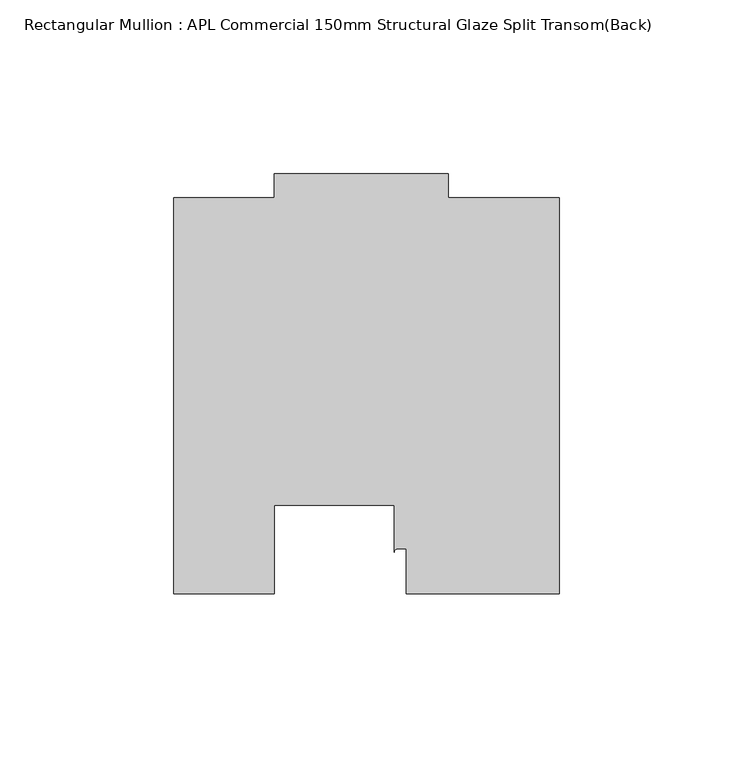
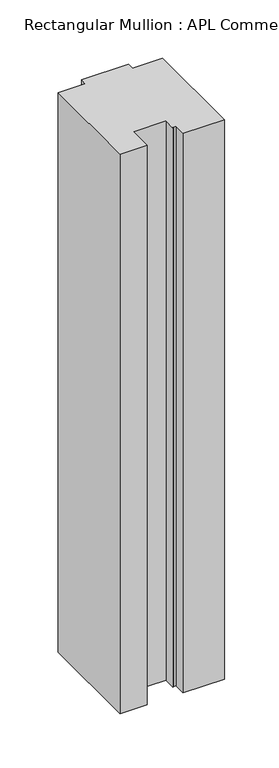
"""IFC4 building model written with IfcOpenShell, lengths in millimetres: member geometry, Rectangular Mullion : APL Commercial 150mm Structural Glaze Split Transom(Back)."""

import ifcopenshell
import ifcopenshell.guid

model = None  # the IFC model being written
_history = None  # IfcOwnerHistory: only IFC2X3 demands one
_inside = {}  # id of a spatial element -> (the spatial element, [elements in it])
_under = {}  # id of a project, library or spatial element -> (it, [spatial elements below it])
_declared = {}  # id of a project -> (the project, [libraries it declares])
_typed = {}  # id of a type object -> (the type object, [elements of that type])
_made_of = {}  # id of a material, layer set ... -> (it, [elements and type objects made of it])


def new_model(schema):
    """Start an empty IFC model of exactly this schema.

    Asked for "IFC4X3", IfcOpenShell would pick the latest addendum, in which some entities
    have other attributes; the version numbers below select the first issue.
    IFC2X3 requires an IfcOwnerHistory on every rooted entity: one is made here for all.
    """
    global model, _history
    if schema == "IFC4X3":
        model = ifcopenshell.file(schema_version=(4, 3, 0, 0))
    else:
        model = ifcopenshell.file(schema=schema)
    _inside.clear()
    _under.clear()
    _declared.clear()
    _typed.clear()
    _made_of.clear()
    _history = None
    if model.schema == "IFC2X3":
        org = make("IfcOrganization", Name="unknown")
        user = make(
            "IfcPersonAndOrganization",
            ThePerson=make("IfcPerson", FamilyName="unknown"),
            TheOrganization=org,
        )
        app = make(
            "IfcApplication",
            ApplicationDeveloper=org,
            Version="unknown",
            ApplicationFullName="unknown",
            ApplicationIdentifier="unknown",
        )
        _history = make(
            "IfcOwnerHistory",
            OwningUser=user,
            OwningApplication=app,
            ChangeAction="ADDED",
            CreationDate=0,
        )
    return model


def make(cls, **values):
    """One entity of the class cls with the attributes given. An attribute that is None is left unset."""
    return model.create_entity(
        cls, **{name: value for name, value in values.items() if value is not None}
    )


def rooted(cls, **values):
    """An entity with a GlobalId (a new one), such as an element, a storey or a relation."""
    return make(cls, GlobalId=ifcopenshell.guid.new(), OwnerHistory=_history, **values)


def si_unit(unit_type, name, prefix=None):
    """IfcSIUnit, for example si_unit("LENGTHUNIT", "METRE", prefix="MILLI")."""
    return make("IfcSIUnit", UnitType=unit_type, Prefix=prefix, Name=name)


def assignment(units):
    """IfcUnitAssignment: the units of a project."""
    return None if units is None else make("IfcUnitAssignment", Units=units)


def point(xyz):
    """IfcCartesianPoint."""
    return None if xyz is None else make("IfcCartesianPoint", Coordinates=xyz)


def direction(xyz):
    """IfcDirection."""
    return None if xyz is None else make("IfcDirection", DirectionRatios=xyz)


def frame(location, z_axis=None, x_axis=None):
    """IfcAxis2Placement3D, a coordinate frame: its origin and axes. An axis left out is left unset."""
    return make(
        "IfcAxis2Placement3D",
        Location=point(location),
        Axis=direction(z_axis),
        RefDirection=direction(x_axis),
    )


def frame_2d(location, x_axis=None):
    """IfcAxis2Placement2D, a coordinate frame in the plane: its origin and x axis."""
    return make(
        "IfcAxis2Placement2D", Location=point(location), RefDirection=direction(x_axis)
    )


def origin():
    """The frame at (0, 0, 0) with its axes left unset."""
    return frame((0.0, 0.0, 0.0))


def place(relative_to, where):
    """IfcLocalPlacement: puts the frame where relative to a parent placement (None: the world)."""
    return make(
        "IfcLocalPlacement", PlacementRelTo=relative_to, RelativePlacement=where
    )


def context(
    kind, dimensions, precision=None, world=None, true_north=None, identifier=None
):
    """IfcGeometricRepresentationContext, for example the 3D "Model" context."""
    return make(
        "IfcGeometricRepresentationContext",
        ContextIdentifier=identifier,
        ContextType=kind,
        CoordinateSpaceDimension=dimensions,
        Precision=precision,
        WorldCoordinateSystem=world,
        TrueNorth=true_north,
    )


def project(units=None, contexts=None):
    """IfcProject with its units and contexts."""
    return rooted(
        "IfcProject",
        Name="project",
        RepresentationContexts=contexts,
        UnitsInContext=assignment(units),
    )


def spatial(cls, under=None, at=None, **own):
    """A site, building, storey or space (cls), placed at a placement, below another one or the project."""
    s = rooted(cls, ObjectPlacement=at, **own)
    if under is not None:
        _under.setdefault(under.id(), (under, []))[1].append(s)
    return s


def polyline(points):
    """IfcPolyline through the points."""
    return make("IfcPolyline", Points=[point(p) for p in points])


def circle_curve(where, radius):
    """IfcCircle in the frame where."""
    return make("IfcCircle", Position=where, Radius=radius)


def trimmed(basis, trim1, trim2, sense, master):
    """IfcTrimmedCurve: the piece of a basis curve between two trims."""
    return make(
        "IfcTrimmedCurve",
        BasisCurve=basis,
        Trim1=trim1,
        Trim2=trim2,
        SenseAgreement=sense,
        MasterRepresentation=master,
    )


def segment(curve, same_sense, transition):
    """IfcCompositeCurveSegment."""
    return make(
        "IfcCompositeCurveSegment",
        Transition=transition,
        SameSense=same_sense,
        ParentCurve=curve,
    )


def composite_curve(segments, self_intersect=None):
    """IfcCompositeCurve: segments joined end to end."""
    return make("IfcCompositeCurve", Segments=segments, SelfIntersect=self_intersect)


def outline(outer, holes=None, kind="AREA"):
    """IfcArbitraryClosedProfileDef: a profile drawn as a closed curve; with holes, ...WithVoids."""
    if holes is None:
        return make("IfcArbitraryClosedProfileDef", ProfileType=kind, OuterCurve=outer)
    return make(
        "IfcArbitraryProfileDefWithVoids",
        ProfileType=kind,
        OuterCurve=outer,
        InnerCurves=holes,
    )


def extrude(swept, where, along, depth):
    """IfcExtrudedAreaSolid: the profile swept, set in the frame where, extruded along a direction by depth."""
    return make(
        "IfcExtrudedAreaSolid",
        SweptArea=swept,
        Position=where,
        ExtrudedDirection=direction(along),
        Depth=depth,
    )


def shape(context_of_items, identifier, shape_type, items):
    """IfcShapeRepresentation: the items that make up one representation, for example the "Body"."""
    return make(
        "IfcShapeRepresentation",
        ContextOfItems=context_of_items,
        RepresentationIdentifier=identifier,
        RepresentationType=shape_type,
        Items=items,
    )


def source(mapping_origin, context_of_items, identifier, shape_type, items):
    """IfcRepresentationMap: a shape defined once, which mapped items show again and again."""
    return make(
        "IfcRepresentationMap",
        MappingOrigin=mapping_origin,
        MappedRepresentation=shape(context_of_items, identifier, shape_type, items),
    )


def transform(
    local_origin,
    x_axis=None,
    y_axis=None,
    z_axis=None,
    scale=None,
    scale2=None,
    scale3=None,
    uniform=True,
):
    """IfcCartesianTransformationOperator3D, or its non-uniform kind. x_axis, y_axis, z_axis: its Axis1, 2, 3."""
    if uniform:
        return make(
            "IfcCartesianTransformationOperator3D",
            Axis1=direction(x_axis),
            Axis2=direction(y_axis),
            LocalOrigin=point(local_origin),
            Scale=scale,
            Axis3=direction(z_axis),
        )
    return make(
        "IfcCartesianTransformationOperator3DnonUniform",
        Axis1=direction(x_axis),
        Axis2=direction(y_axis),
        LocalOrigin=point(local_origin),
        Scale=scale,
        Axis3=direction(z_axis),
        Scale2=scale2,
        Scale3=scale3,
    )


def mapped(mapping_source, mapping_target):
    """IfcMappedItem: shows the shape of a source again, moved by a transform."""
    return make(
        "IfcMappedItem", MappingSource=mapping_source, MappingTarget=mapping_target
    )


def made_of(thing, what):
    """Note that an element or type object is made of a material, layer set ...; save() writes the relation."""
    if what is not None:
        _made_of.setdefault(what.id(), (what, []))[1].append(thing)
    return thing


def element(
    cls,
    number,
    at=None,
    inside=None,
    cuts=None,
    type_object=None,
    material=None,
    context=None,
    identifier="Body",
    shape_type=None,
    held_by="IfcProductDefinitionShape",
    body=None,
    shapes=None,
    **own,
):
    """One element of the class cls, such as IfcWall. Its Tag is "e" and its number.

    at: its placement. inside: the storey or other place that contains it. cuts: it is an
    opening in that element (IfcRelVoidsElement). A single representation is given by context,
    identifier, shape_type and body (its items); several are given by shapes. held_by: the class
    of the entity that holds the representations. save() writes the other relations.
    """
    e = rooted(cls, Tag="e%d" % number, ObjectPlacement=at, **own)
    if body is not None:
        shapes = [shape(context, identifier, shape_type, body)]
    if shapes is not None:
        e.Representation = make(held_by, Representations=shapes)
    if inside is not None:
        _inside.setdefault(inside.id(), (inside, []))[1].append(e)
    if cuts is not None:
        rooted(
            "IfcRelVoidsElement", RelatingBuildingElement=cuts, RelatedOpeningElement=e
        )
    if type_object is not None:
        _typed.setdefault(type_object.id(), (type_object, []))[1].append(e)
    return made_of(e, material)


def aggregate(whole, parts):
    """IfcRelAggregates: a whole, such as a stair, and the parts it consists of."""
    return rooted("IfcRelAggregates", RelatingObject=whole, RelatedObjects=parts)


def save(model, path):
    """Write the relations noted so far, then the file.

    IfcRelAggregates (storeys below a building ...), IfcRelContainedInSpatialStructure (elements
    in a storey), IfcRelDefinesByType, IfcRelAssociatesMaterial and IfcRelDeclares: one each for
    every whole, place, type object, material and project.
    """
    for whole, parts in _under.values():
        aggregate(whole, parts)
    for where, things in _inside.values():
        rooted(
            "IfcRelContainedInSpatialStructure",
            RelatedElements=things,
            RelatingStructure=where,
        )
    for kind, things in _typed.values():
        rooted("IfcRelDefinesByType", RelatedObjects=things, RelatingType=kind)
    for what, things in _made_of.values():
        rooted("IfcRelAssociatesMaterial", RelatedObjects=things, RelatingMaterial=what)
    for by, libraries in _declared.values():
        rooted("IfcRelDeclares", RelatingContext=by, RelatedDefinitions=libraries)
    model.write(path)


def rectangular_mullion_apl_commercial_150mm_structural_glaze_873e81cf(model_context):
    return source(origin(), model_context, "Body", "SweptSolid", [
        extrude(outline(composite_curve([segment(polyline([(54.0000029, 15.0004617), (10.0000029, 15.0004617), (10.0000029, 28.0002131), (7.5000029, 28.0002131)]), True, "CONTINUOUS"), segment(trimmed(circle_curve(frame_2d((7.5000029, 27.0002131)), 1.0), [point((7.5000029, 28.0002131))], [point((6.5000029, 27.0002131))], True, "CARTESIAN"), True, "CONTINUOUS"), segment(polyline([(6.5000029, 27.0002131), (6.5000029, 40.499932), (-28.0000482, 40.499932), (-28.0000482, 15.0001793), (-57.0000004, 15.0001793), (-57.0000004, 129.0002765), (-27.9971154, 129.0002765), (-27.9971154, 136.0003326), (22.0028846, 136.0003326), (22.0028846, 129.0003326), (54.0000029, 129.0003326), (54.0000029, 15.0004617)]), True, "CONTINUOUS")], self_intersect=False)), frame((0.0, 0.0, -628.0250341), z_axis=(0.0, 0.0, 1.0), x_axis=(1.0, 0.0, 0.0)), (0.0, 0.0, 1.0), 628.0250341),
    ])


if __name__ == "__main__":
    model = new_model("IFC4")
    model_context = context("Model", 3, world=origin())
    ifc_project = project(units=[si_unit("LENGTHUNIT", "METRE", prefix="MILLI")], contexts=[model_context])
    site = spatial("IfcSite", under=ifc_project)
    building = spatial("IfcBuilding", under=site)
    placement = place(None, origin())
    rectangular_mullion_apl_commercial_150mm_structural_glaze_shape = rectangular_mullion_apl_commercial_150mm_structural_glaze_873e81cf(model_context)
    element("IfcMember", 1, ObjectType="Rectangular Mullion : APL Commercial 150mm Structural Glaze Split Transom(Back)", at=placement, inside=building, context=model_context, shape_type="MappedRepresentation", body=[
        mapped(rectangular_mullion_apl_commercial_150mm_structural_glaze_shape, transform((0.0, 0.0, 0.0), x_axis=(1.0, 0.0, 0.0), y_axis=(0.0, 1.0, 0.0), z_axis=(0.0, 0.0, 1.0))),
    ])
    save(model, "model.ifc")
